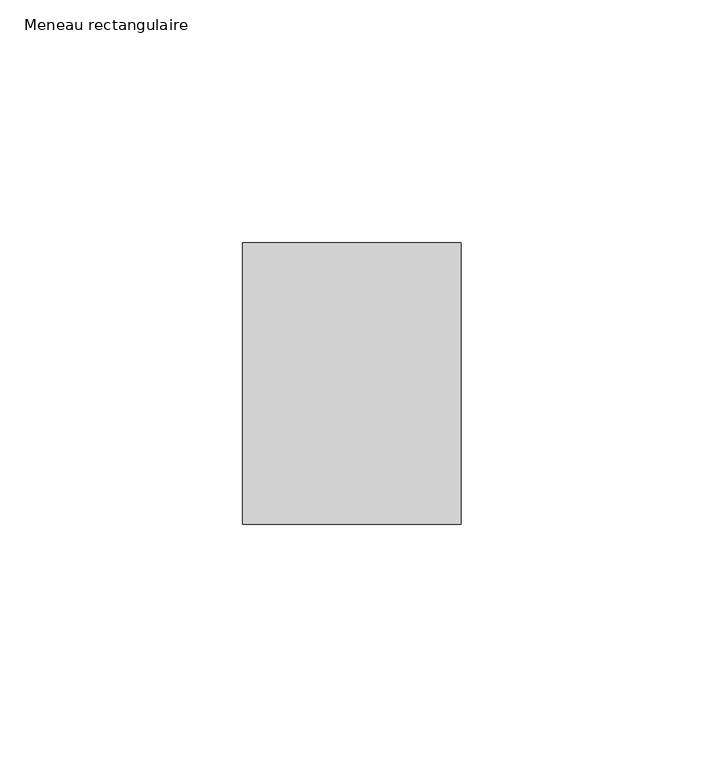
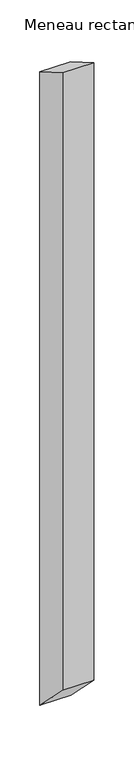
"""IFC4 building model written with IfcOpenShell, lengths in millimetres: member geometry, Meneau rectangulaire."""

from ifc_helpers import new_model, si_unit, frame, origin, place, context, project, spatial, polyline, outline, extrude, source, transform, mapped, element, save


def meneau_rectangulaire_e59380ab(model_context):
    return source(origin(), model_context, "Body", "SweptSolid", [
        extrude(outline(polyline([(-29.0, 16.7431578), (29.0, -16.7431578), (29.0, -989.7695155), (-29.0, -931.7695155), (-29.0, 16.7431578)])), frame((-45.0, 0.0, 0.0), z_axis=(1.0, 0.0, 0.0), x_axis=(0.0, 1.0, 0.0)), (0.0, 0.0, 1.0), 45.0),
    ])


if __name__ == "__main__":
    model = new_model("IFC4")
    model_context = context("Model", 3, world=origin())
    ifc_project = project(units=[si_unit("LENGTHUNIT", "METRE", prefix="MILLI")], contexts=[model_context])
    site = spatial("IfcSite", under=ifc_project)
    building = spatial("IfcBuilding", under=site)
    placement = place(None, origin())
    meneau_rectangulaire_shape = meneau_rectangulaire_e59380ab(model_context)
    element("IfcMember", 1, ObjectType="Meneau rectangulaire", at=placement, inside=building, context=model_context, shape_type="MappedRepresentation", body=[
        mapped(meneau_rectangulaire_shape, transform((0.0, 0.0, 0.0), x_axis=(1.0, 0.0, 0.0), y_axis=(0.0, 1.0, 0.0), z_axis=(0.0, 0.0, 1.0))),
    ])
    save(model, "model.ifc")
